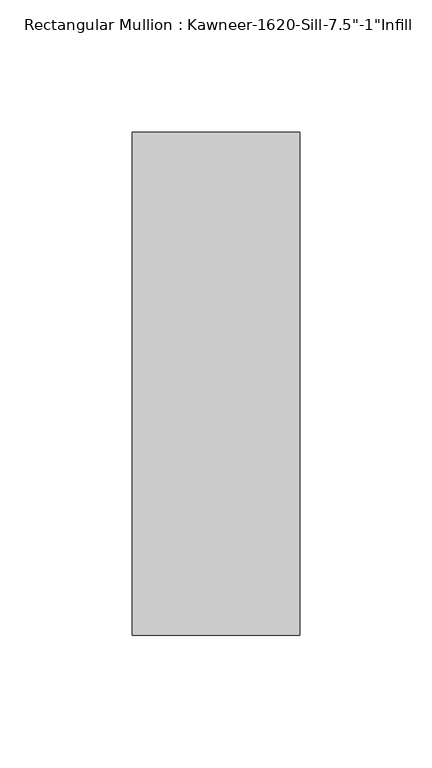
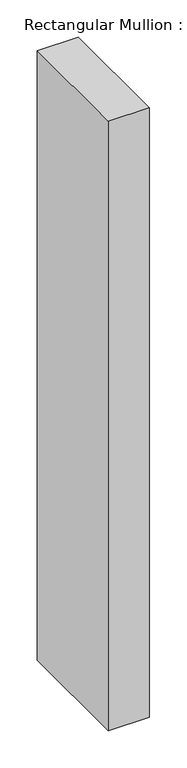
"""IFC4 building model written with IfcOpenShell, lengths in millimetres: member geometry."""

from ifc_helpers import new_model, si_unit, frame, origin, place, context, project, spatial, polyline, outline, extrude, source, transform, mapped, element, save


def member_92e02544(model_context):
    return source(origin(), model_context, "Body", "SweptSolid", [
        extrude(outline(polyline([(-63.5, 38.1), (0.0, 38.1), (0.0, -152.4), (-63.5, -152.4), (-63.5, 38.1)])), frame((0.0, 0.0, -996.8098051), z_axis=(0.0, 0.0, 1.0), x_axis=(1.0, 0.0, 0.0)), (0.0, 0.0, 1.0), 996.8098051),
    ])


if __name__ == "__main__":
    model = new_model("IFC4")
    model_context = context("Model", 3, world=origin())
    ifc_project = project(units=[si_unit("LENGTHUNIT", "METRE", prefix="MILLI")], contexts=[model_context])
    site = spatial("IfcSite", under=ifc_project)
    building = spatial("IfcBuilding", under=site)
    placement = place(None, origin())
    member_shape = member_92e02544(model_context)
    element("IfcMember", 1, ObjectType="Rectangular Mullion : Kawneer-1620-Sill-7.5\"-1\"Infill", at=placement, inside=building, context=model_context, shape_type="MappedRepresentation", body=[
        mapped(member_shape, transform((0.0, 0.0, 0.0), x_axis=(1.0, 0.0, 0.0), y_axis=(0.0, 1.0, 0.0), z_axis=(0.0, 0.0, 1.0))),
    ])
    save(model, "model.ifc")
